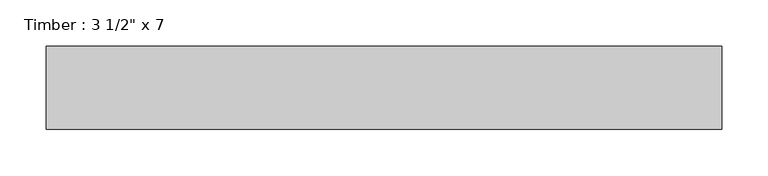
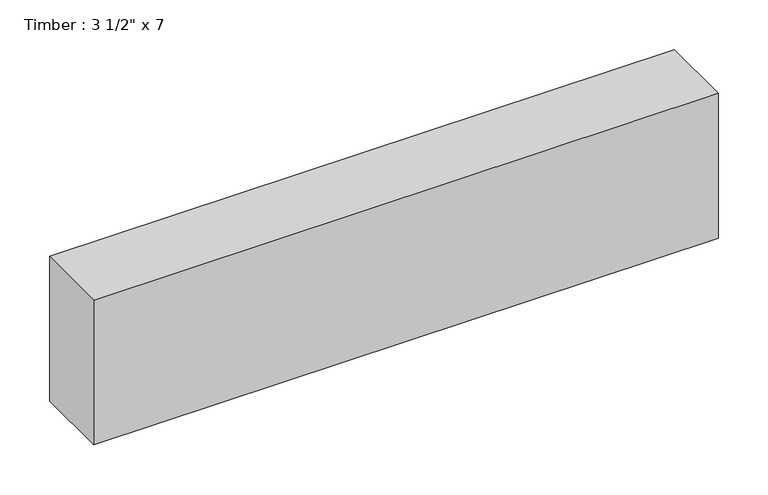
"""IFC4 building model written with IfcOpenShell, lengths in millimetres: beam geometry."""

from ifc_helpers import new_model, si_unit, frame, origin, place, context, project, spatial, polyline, outline, extrude, source, transform, mapped, element, save


def beam_63d38faf(model_context):
    return source(origin(), model_context, "Body", "SweptSolid", [
        extrude(outline(polyline([(363.3139238, 44.45), (363.3139238, -44.45), (-363.3139238, -44.45), (-363.3139238, 44.45), (363.3139238, 44.45)])), frame((0.0, 0.0, -88.9), z_axis=(0.0, 0.0, 1.0), x_axis=(1.0, 0.0, 0.0)), (0.0, 0.0, 1.0), 177.8),
    ])


if __name__ == "__main__":
    model = new_model("IFC4")
    model_context = context("Model", 3, world=origin())
    ifc_project = project(units=[si_unit("LENGTHUNIT", "METRE", prefix="MILLI")], contexts=[model_context])
    site = spatial("IfcSite", under=ifc_project)
    building = spatial("IfcBuilding", under=site)
    placement = place(None, origin())
    beam_shape = beam_63d38faf(model_context)
    element("IfcBeam", 1, ObjectType="Timber : 3 1/2\" x 7", at=placement, inside=building, context=model_context, shape_type="MappedRepresentation", body=[
        mapped(beam_shape, transform((0.0, 0.0, 0.0), x_axis=(1.0, 0.0, 0.0), y_axis=(0.0, 1.0, 0.0), z_axis=(0.0, 0.0, 1.0))),
    ])
    save(model, "model.ifc")
